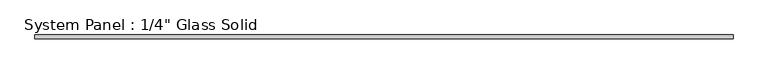
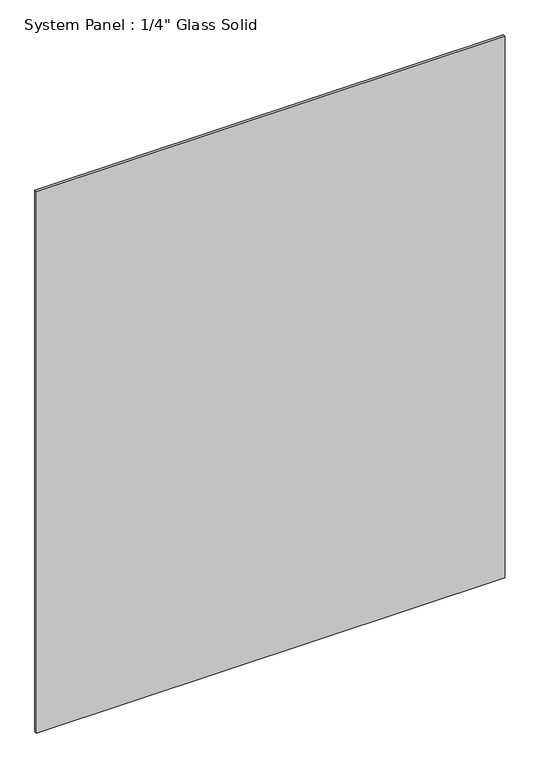
"""IFC4 building model written with IfcOpenShell, lengths in millimetres: plate geometry."""

from ifc_helpers import new_model, si_unit, origin, origin_with_axes, place, context, project, spatial, polyline, outline, extrude, source, transform, mapped, element, save


def plate_1bbebe6f(model_context):
    return source(origin(), model_context, "Body", "SweptSolid", [
        extrude(outline(polyline([(571.5008852, -3.175), (-571.5008852, -3.175), (-571.5008852, 3.175), (571.5008852, 3.175), (571.5008852, -3.175)])), origin_with_axes(), (0.0, 0.0, 1.0), 1394.5741382),
    ])


if __name__ == "__main__":
    model = new_model("IFC4")
    model_context = context("Model", 3, world=origin())
    ifc_project = project(units=[si_unit("LENGTHUNIT", "METRE", prefix="MILLI")], contexts=[model_context])
    site = spatial("IfcSite", under=ifc_project)
    building = spatial("IfcBuilding", under=site)
    placement = place(None, origin())
    plate_shape = plate_1bbebe6f(model_context)
    element("IfcPlate", 1, ObjectType="System Panel : 1/4\" Glass Solid", at=placement, inside=building, context=model_context, shape_type="MappedRepresentation", body=[
        mapped(plate_shape, transform((0.0, 0.0, 0.0), x_axis=(1.0, 0.0, 0.0), y_axis=(0.0, 1.0, 0.0), z_axis=(0.0, 0.0, 1.0))),
    ])
    save(model, "model.ifc")
